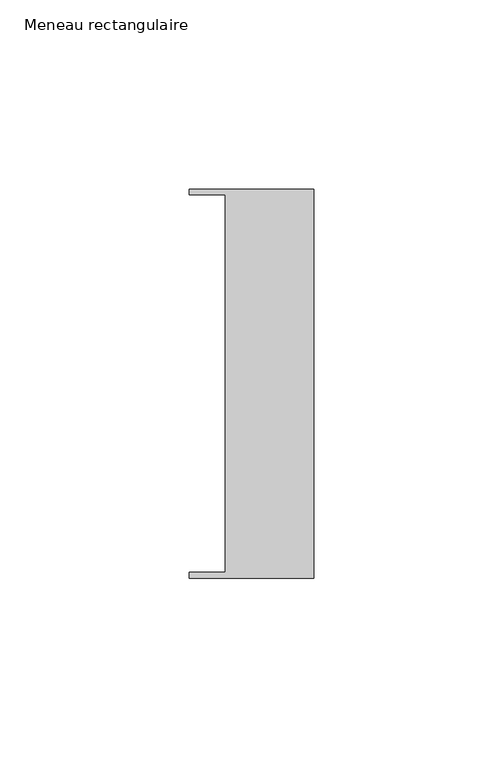
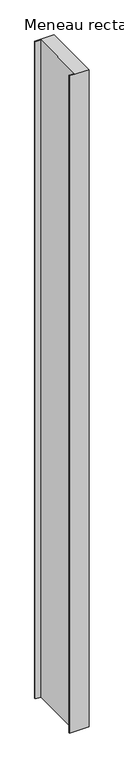
"""IFC4 building model written with IfcOpenShell, lengths in millimetres: member geometry, Meneau rectangulaire."""

from ifc_helpers import new_model, si_unit, frame, origin, place, context, project, spatial, polyline, outline, extrude, source, transform, mapped, element, save


def meneau_rectangulaire_629b430d(model_context):
    return source(origin(), model_context, "Body", "SweptSolid", [
        extrude(outline(polyline([(-33.0, 51.4622428), (0.0, 51.4622428), (0.0, -51.4712299), (-33.0, -51.4712299), (-33.0, -49.9505712), (-23.4, -49.9505712), (-23.4, 49.9614402), (-33.0, 49.9614402), (-33.0, 51.4622428)])), frame((0.0, 0.0, -1184.75), z_axis=(0.0, 0.0, 1.0), x_axis=(1.0, 0.0, 0.0)), (0.0, 0.0, 1.0), 1184.75),
    ])


if __name__ == "__main__":
    model = new_model("IFC4")
    model_context = context("Model", 3, world=origin())
    ifc_project = project(units=[si_unit("LENGTHUNIT", "METRE", prefix="MILLI")], contexts=[model_context])
    site = spatial("IfcSite", under=ifc_project)
    building = spatial("IfcBuilding", under=site)
    placement = place(None, origin())
    meneau_rectangulaire_shape = meneau_rectangulaire_629b430d(model_context)
    element("IfcMember", 1, ObjectType="Meneau rectangulaire", at=placement, inside=building, context=model_context, shape_type="MappedRepresentation", body=[
        mapped(meneau_rectangulaire_shape, transform((0.0, 0.0, 0.0), x_axis=(1.0, 0.0, 0.0), y_axis=(0.0, 1.0, 0.0), z_axis=(0.0, 0.0, 1.0))),
    ])
    save(model, "model.ifc")
